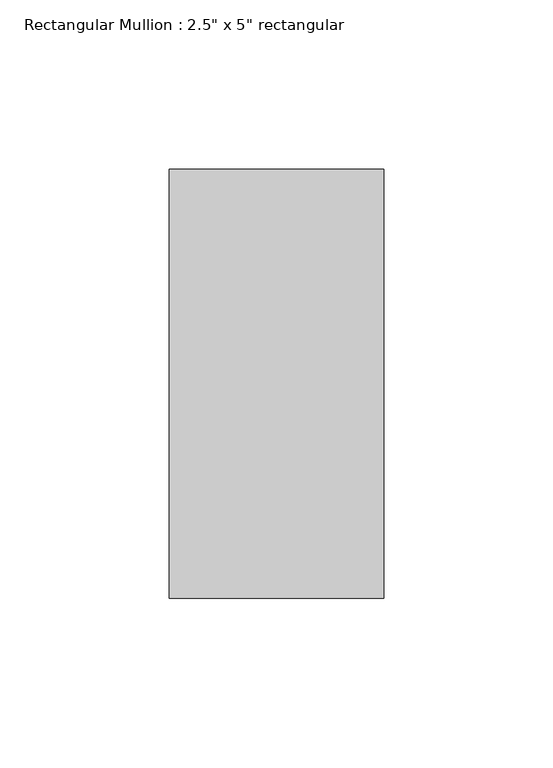
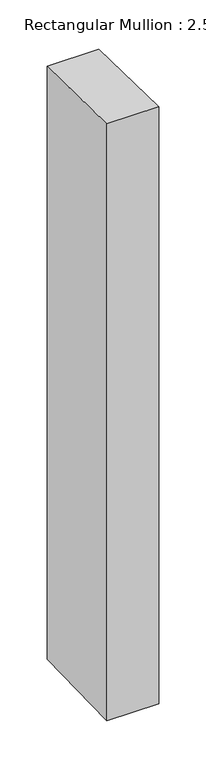
"""IFC4 building model written with IfcOpenShell, lengths in millimetres: member geometry."""

from ifc_helpers import new_model, si_unit, frame, origin, place, context, project, spatial, polyline, outline, extrude, source, transform, mapped, element, save


def member_d4762f3b(model_context):
    return source(origin(), model_context, "Body", "SweptSolid", [
        extrude(outline(polyline([(-63.5, 1.2995831), (63.5, -1.2995831), (63.5, -769.7968597), (-63.5, -772.3960259), (-63.5, 1.2995831)])), frame((-31.75, 0.0, 0.0), z_axis=(1.0, 0.0, 0.0), x_axis=(0.0, 1.0, 0.0)), (0.0, 0.0, 1.0), 63.5),
    ])


if __name__ == "__main__":
    model = new_model("IFC4")
    model_context = context("Model", 3, world=origin())
    ifc_project = project(units=[si_unit("LENGTHUNIT", "METRE", prefix="MILLI")], contexts=[model_context])
    site = spatial("IfcSite", under=ifc_project)
    building = spatial("IfcBuilding", under=site)
    placement = place(None, origin())
    member_shape = member_d4762f3b(model_context)
    element("IfcMember", 1, ObjectType="Rectangular Mullion : 2.5\" x 5\" rectangular", at=placement, inside=building, context=model_context, shape_type="MappedRepresentation", body=[
        mapped(member_shape, transform((0.0, 0.0, 0.0), x_axis=(1.0, 0.0, 0.0), y_axis=(0.0, 1.0, 0.0), z_axis=(0.0, 0.0, 1.0))),
    ])
    save(model, "model.ifc")
